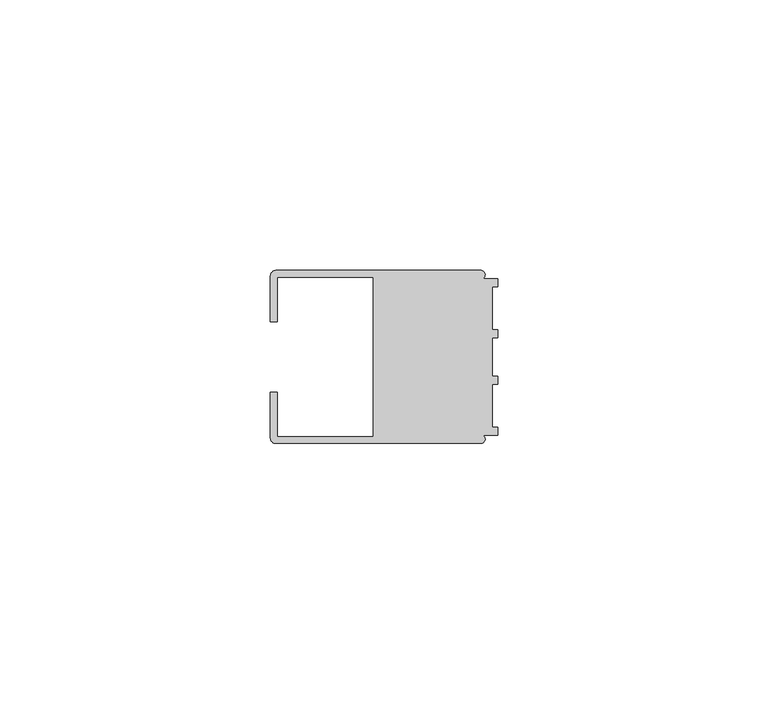
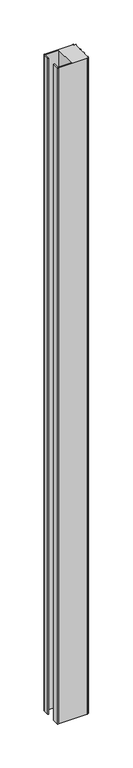
"""IFC4 building model written with IfcOpenShell, lengths in millimetres: member geometry."""

from ifc_helpers import new_model, si_unit, point, frame, frame_2d, origin, place, context, project, spatial, polyline, circle_curve, trimmed, segment, composite_curve, outline, extrude, source, transform, mapped, element, save


def member_ec1aab97(model_context):
    return source(origin(), model_context, "Body", "SweptSolid", [
        extrude(outline(composite_curve([segment(polyline([(-42.0, 6.5), (-42.0, 14.998921)]), True, "CONTINUOUS"), segment(trimmed(circle_curve(frame_2d((-40.998921, 14.998921)), 1.001079), [point((-42.0, 14.998921))], [point((-40.998921, 16.0))], False, "CARTESIAN"), True, "CONTINUOUS"), segment(polyline([(-40.998921, 16.0), (-3.1385263, 16.0)]), True, "CONTINUOUS"), segment(trimmed(circle_curve(frame_2d((-3.1117577, 15.2001372)), 0.8003107), [point((-3.1385263, 16.0))], [point((-2.7260256, 14.4989182))], False, "CARTESIAN"), True, "CONTINUOUS"), segment(polyline([(-2.7260256, 14.4989182), (0.0, 14.4989182), (0.0, 12.9993664), (-0.999267, 12.9993664), (-0.999267, 5.0000405), (0.0, 5.0000405), (0.0, 3.5386284), (-0.999267, 3.5009282), (-0.999267, -3.5009282), (0.0, -3.5398992), (0.0, -5.0013113), (-0.999267, -5.0013113), (-0.999267, -13.0002136), (0.0, -13.0002136), (0.0, -14.5004469), (-2.7237818, -14.5004469)]), True, "CONTINUOUS"), segment(trimmed(circle_curve(frame_2d((-3.1117213, -15.2000428)), 0.7999572), [point((-2.7237818, -14.5004469))], [point((-3.1117213, -16.0))], False, "CARTESIAN"), True, "CONTINUOUS"), segment(polyline([(-3.1117213, -16.0), (-40.9988146, -16.0)]), True, "CONTINUOUS"), segment(trimmed(circle_curve(frame_2d((-40.9988146, -14.9988146)), 1.0011854), [point((-40.9988146, -16.0))], [point((-42.0, -14.9988146))], False, "CARTESIAN"), True, "CONTINUOUS"), segment(polyline([(-42.0, -14.9988146), (-42.0, -6.5002542), (-40.7495396, -6.5002542), (-40.7495396, -14.7490791), (-23.0, -14.7490791), (-23.0, 14.748825), (-40.7495396, 14.748825), (-40.7495396, 6.5), (-42.0, 6.5)]), True, "CONTINUOUS")], self_intersect=False)), frame((0.0, 0.0, -915.0), z_axis=(0.0, 0.0, 1.0), x_axis=(1.0, 0.0, 0.0)), (0.0, 0.0, 1.0), 915.0),
    ])


if __name__ == "__main__":
    model = new_model("IFC4")
    model_context = context("Model", 3, world=origin())
    ifc_project = project(units=[si_unit("LENGTHUNIT", "METRE", prefix="MILLI")], contexts=[model_context])
    site = spatial("IfcSite", under=ifc_project)
    building = spatial("IfcBuilding", under=site)
    placement = place(None, origin())
    member_shape = member_ec1aab97(model_context)
    element("IfcMember", 1, at=placement, inside=building, context=model_context, shape_type="MappedRepresentation", body=[
        mapped(member_shape, transform((0.0, 0.0, 0.0), x_axis=(1.0, 0.0, 0.0), y_axis=(0.0, 1.0, 0.0), z_axis=(0.0, 0.0, 1.0))),
    ])
    save(model, "model.ifc")
